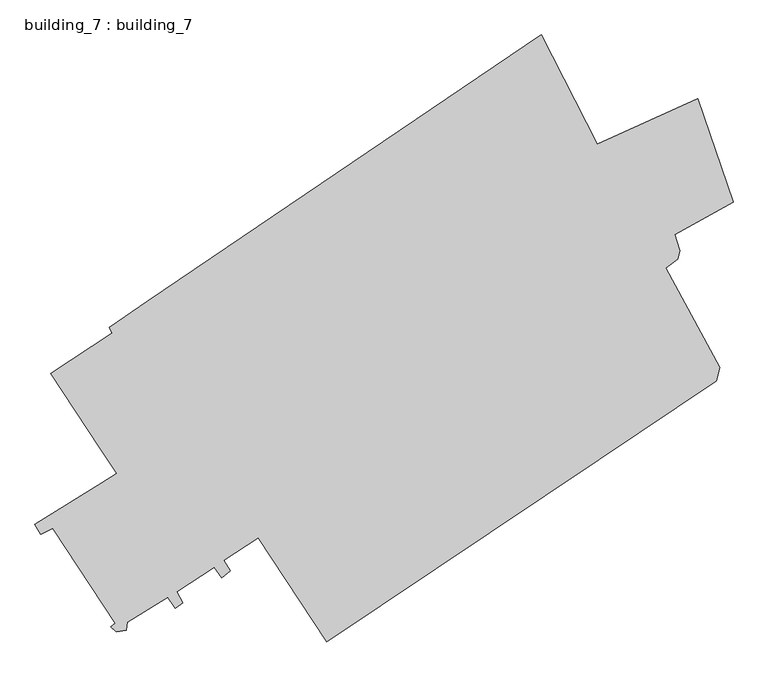
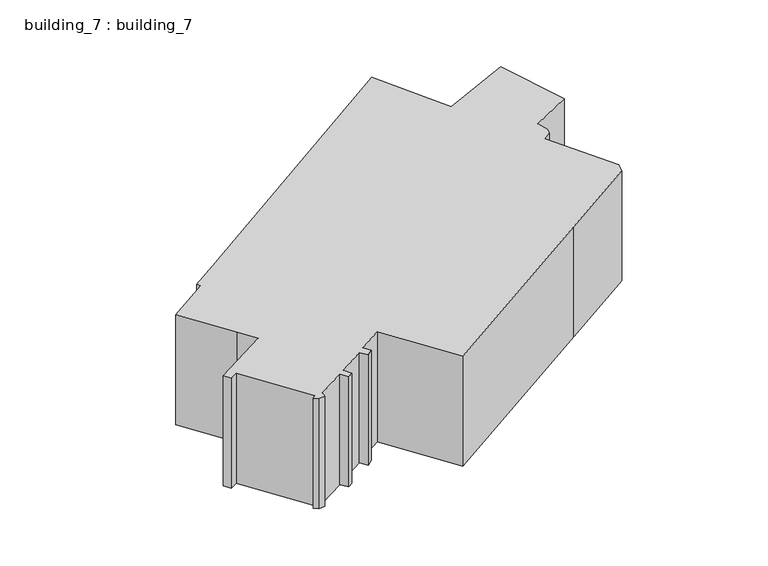
"""IFC4 building model written with IfcOpenShell, lengths in millimetres: proxy geometry, building_7 : building_7."""

from ifc_helpers import new_model, si_unit, origin, origin_with_axes, place, context, project, spatial, polyline, outline, extrude, source, transform, mapped, element, save


def building_7_building_7_d047344d(model_context):
    return source(origin(), model_context, "Body", "SweptSolid", [
        extrude(outline(polyline([(6621.9104804, 26519.9900041), (6362.7359021, 26975.889204), (9706.0879646, 29266.5046928), (43463.5768137, 52128.181611), (48284.2239737, 42754.4492943), (56901.7787088, 46668.5107121), (59934.1212772, 37750.6775953), (54938.5312768, 34993.0434147), (55359.6899667, 33591.9873392), (55184.7471262, 32880.3398083), (54161.0075412, 32101.9753221), (58800.2324964, 23562.2049556), (58476.2642732, 22394.6582256), (48452.6874499, 15678.4846568), (25068.661105, 0.0), (19191.8775375, 8906.713624), (16211.3698849, 6994.1608855), (16781.5539576, 6104.6014722), (16055.8651379, 5504.1488684), (15394.9699626, 6393.7082817), (12168.2464603, 4292.1241681), (12712.5130751, 3346.9672916), (12038.6591712, 2879.9485998), (11384.2433604, 3813.9859834), (7917.7833731, 1656.8044066), (7840.0309995, 978.5153541), (6978.2755258, 856.2009349), (6505.2819201, 1267.6221635), (6881.0850589, 1590.0874506), (1516.1712842, 9751.7950661), (518.3491568, 9218.0594183), (0.0, 10063.1408612), (5721.2788202, 13632.4980063), (7030.1104417, 14455.3404636), (5578.732802, 16645.8805181), (1373.625266, 23028.4693078), (6621.9104804, 26519.9900041)])), origin_with_axes(), (0.0, 0.0, 1.0), 15000.0),
    ])


if __name__ == "__main__":
    model = new_model("IFC4")
    model_context = context("Model", 3, world=origin())
    ifc_project = project(units=[si_unit("LENGTHUNIT", "METRE", prefix="MILLI")], contexts=[model_context])
    site = spatial("IfcSite", under=ifc_project)
    building = spatial("IfcBuilding", under=site)
    placement = place(None, origin())
    building_7_building_7_shape = building_7_building_7_d047344d(model_context)
    element("IfcBuildingElementProxy", 1, Name="building_7 : building_7", ObjectType="building_7 : building_7", at=placement, inside=building, context=model_context, shape_type="MappedRepresentation", body=[
        mapped(building_7_building_7_shape, transform((0.0, 0.0, 0.0), x_axis=(1.0, 0.0, 0.0), y_axis=(0.0, 1.0, 0.0), z_axis=(0.0, 0.0, 1.0))),
    ])
    save(model, "model.ifc")
